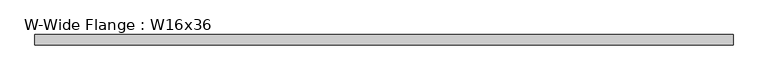
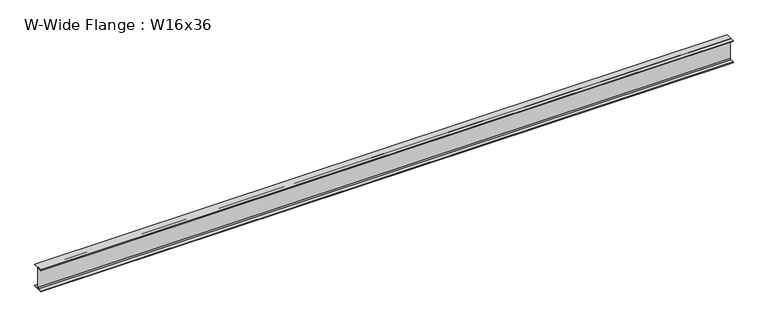
"""IFC4 building model written with IfcOpenShell, lengths in millimetres: beam geometry, W-Wide Flange : W16x36."""

from ifc_helpers import new_model, si_unit, point, frame, frame_2d, origin, place, context, project, spatial, polyline, circle_curve, trimmed, segment, composite_curve, outline, extrude, source, transform, mapped, element, save


def w_wide_flange_w16x36_36248903(model_context):
    return source(origin(), model_context, "Body", "SweptSolid", [
        extrude(outline(composite_curve([segment(polyline([(88.773, -191.008), (88.773, -201.93), (-88.773, -201.93), (-88.773, -191.008), (-21.3995, -191.008)]), True, "CONTINUOUS"), segment(trimmed(circle_curve(frame_2d((-21.3995, -173.355)), 17.653), [point((-21.3995, -191.008))], [point((-3.7465, -173.355))], True, "CARTESIAN"), True, "CONTINUOUS"), segment(polyline([(-3.7465, -173.355), (-3.7465, 173.355)]), True, "CONTINUOUS"), segment(trimmed(circle_curve(frame_2d((-21.3995, 173.355)), 17.653), [point((-3.7465, 173.355))], [point((-21.3995, 191.008))], True, "CARTESIAN"), True, "CONTINUOUS"), segment(polyline([(-21.3995, 191.008), (-88.773, 191.008), (-88.773, 201.93), (88.773, 201.93), (88.773, 191.008), (21.3995, 191.008)]), True, "CONTINUOUS"), segment(trimmed(circle_curve(frame_2d((21.3995, 173.355)), 17.653), [point((21.3995, 191.008))], [point((3.7465, 173.355))], True, "CARTESIAN"), True, "CONTINUOUS"), segment(polyline([(3.7465, 173.355), (3.7465, -173.355)]), True, "CONTINUOUS"), segment(trimmed(circle_curve(frame_2d((21.3995, -173.355)), 17.653), [point((3.7465, -173.355))], [point((21.3995, -191.008))], True, "CARTESIAN"), True, "CONTINUOUS"), segment(polyline([(21.3995, -191.008), (88.773, -191.008)]), True, "CONTINUOUS")], self_intersect=False)), frame((-6146.7813955, 0.0, 0.0), z_axis=(1.0, 0.0, 0.0), x_axis=(0.0, 1.0, 0.0)), (0.0, 0.0, 1.0), 12129.732791),
    ])


if __name__ == "__main__":
    model = new_model("IFC4")
    model_context = context("Model", 3, world=origin())
    ifc_project = project(units=[si_unit("LENGTHUNIT", "METRE", prefix="MILLI")], contexts=[model_context])
    site = spatial("IfcSite", under=ifc_project)
    building = spatial("IfcBuilding", under=site)
    placement = place(None, origin())
    w_wide_flange_w16x36_shape = w_wide_flange_w16x36_36248903(model_context)
    element("IfcBeam", 1, ObjectType="W-Wide Flange : W16x36", at=placement, inside=building, context=model_context, shape_type="MappedRepresentation", body=[
        mapped(w_wide_flange_w16x36_shape, transform((0.0, 0.0, 0.0), x_axis=(1.0, 0.0, 0.0), y_axis=(0.0, 1.0, 0.0), z_axis=(0.0, 0.0, 1.0))),
    ])
    save(model, "model.ifc")
